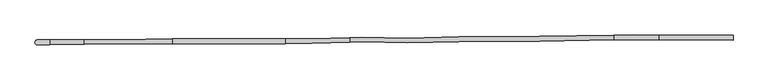
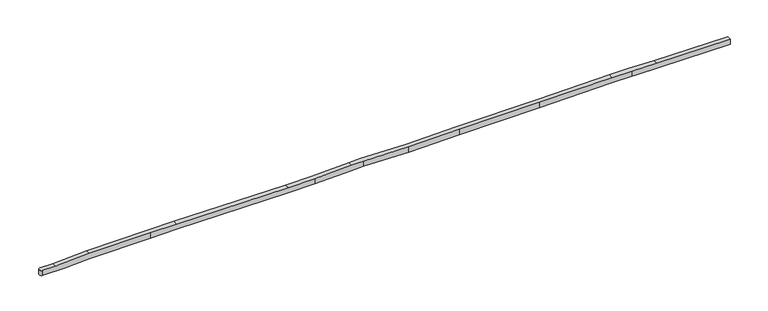
"""IFC4 building model written with IfcOpenShell, lengths in millimetres: proxy geometry."""

from ifc_helpers import new_model, si_unit, frame, origin, place, context, project, spatial, circle_curve, source, transform, mapped, element, save
from ifc_brep_helpers import plane_surface, cylinder_surface, advanced_brep


def generic_models_26a9a762(model_context):
    return source(origin(), model_context, "Body", "AdvancedBrep", [
        advanced_brep(
        [(-98529.1955839, 122697.3656972, 13550.0), (-98529.1955839, 122997.3771551, 13550.0), (-97154.9265544, 123009.3882464, 13550.0), (-97154.352654, 122709.3818044, 13550.0), (-54672.3471212, 123287.4372794, 13550.0), (-54672.3471212, 122987.4338245, 13550.0), (-60600.49174, 123015.8845242, 13550.0), (-60601.06564, 123315.8907334, 13550.0), (-54672.3471212, 123287.4372794, 13878.192766), (-54672.3471212, 122987.4338245, 13878.192766), (-60932.5531862, 123317.4816279, 13555.7860729), (-60932.5531862, 123317.4816279, 13905.8393877), (-59348.6618487, 123309.8801236, 13878.192766), (-62208.9747849, 123298.0601666, 13578.0667025), (-66856.5650142, 123227.344508, 13582.8593575), (-66856.5650142, 123227.344508, 13932.8595435), (-62205.7400267, 123298.1093852, 13928.0635529), (-71979.0590331, 123192.2932293, 13588.1416547), (-71979.0590331, 123192.2932293, 13938.1418408), (-75198.8471381, 123117.2981647, 13591.4619929), (-75198.8471381, 123117.2981647, 13941.462179), (-78068.6339711, 123177.3984125, 13594.4211494), (-78068.6339711, 123177.3984125, 13944.4213355), (-78833.5225076, 123153.1162368, 13595.2099373), (-81225.9308815, 123077.1667646, 13576.670575), (-81225.9308815, 123077.1667646, 13926.6810825), (-78834.6980014, 123153.0789195, 13945.2113356), (-82900.4640145, 123073.9634492, 13563.6949454), (-90009.7273778, 123060.3637105, 13618.6972618), (-91690.3235944, 123057.1487967, 13618.6972618), (-91690.3235944, 123057.1487967, 13968.6972618), (-90008.3734786, 123060.3663005, 13968.6972618), (-82900.4661307, 123073.9634451, 13913.7054365), (-98529.1955839, 122997.3771551, 13875.676339), (-97727.9675642, 123004.3798763, 13875.676339), (-95565.2593545, 123023.2819146, 13968.6972618), (-95557.7360764, 123023.3476679, 13618.6972618), (-98529.1955839, 122697.3656972, 13875.676339), (-95557.162176, 122723.3412259, 13618.6972618), (-91688.7256845, 122757.1513045, 13618.6972618), (-91688.7256845, 122757.1513045, 13968.6972618), (-95564.6854541, 122723.2754726, 13968.6972618), (-97727.3936637, 122704.3734343, 13875.676339), (-90009.1534908, 122760.3642595, 13618.6972618), (-82899.8901274, 122773.9639981, 13563.6949454), (-81220.8833087, 122777.1758715, 13576.7052407), (-81220.8833087, 122777.1758715, 13926.7157482), (-82899.8922437, 122773.963994, 13913.7054365), (-90007.7995916, 122760.3668494, 13968.6972618), (-78832.9483653, 122852.98333, 13595.2099373), (-78067.0140133, 122877.2987062, 13594.4200709), (-78067.0140133, 122877.2987062, 13944.420257), (-78834.123859, 122852.9460127, 13945.2113356), (-75198.4947969, 122817.2250054, 13591.4622215), (-75198.4947969, 122817.2250054, 13941.4624076), (-71974.5395172, 122892.3171315, 13588.137586), (-71974.5395172, 122892.3171315, 13938.1377721), (-66853.2565184, 122927.3601236, 13582.8565376), (-66853.2565184, 122927.3601236, 13932.8567236), (-62208.4008471, 122998.0341744, 13578.0667025), (-60930.9908414, 123017.4706749, 13555.7688198), (-60930.9908414, 123017.4706749, 13905.8221346), (-62205.1660888, 122998.0833931, 13928.0635529), (-59348.0879488, 123009.8739144, 13878.192766)],
        [
            (0, 1, circle_curve(frame((-98529.1955839, 122847.3714262, 13550.0), z_axis=(0.0, 0.0, -1.0), x_axis=(1.0, 0.0, 0.0)), 150.0057289)),
            (1, 2),
            (2, 3),
            (3, 0),
            (4, 5),
            (5, 6),
            (6, 7),
            (7, 4),
            (4, 8),
            (8, 9),
            (9, 5),
            (7, 10),
            (10, 11),
            (11, 12),
            (12, 8),
            (10, 13),
            (13, 14),
            (14, 15),
            (15, 16),
            (16, 11),
            (14, 17),
            (17, 18),
            (18, 15),
            (17, 19),
            (19, 20),
            (20, 18),
            (19, 21),
            (21, 22),
            (22, 20),
            (21, 23),
            (23, 24),
            (24, 25),
            (25, 26),
            (26, 22),
            (24, 27),
            (27, 28),
            (28, 29),
            (29, 30),
            (30, 31),
            (31, 32),
            (32, 25),
            (1, 33),
            (33, 34),
            (34, 35),
            (35, 30),
            (29, 36),
            (36, 2),
            (0, 37),
            (37, 33, circle_curve(frame((-98529.1955839, 122847.3714262, 13875.676339), z_axis=(0.0, 0.0, -1.0), x_axis=(1.0, 0.0, 0.0)), 150.0057289)),
            (3, 38),
            (38, 39),
            (39, 40),
            (40, 41),
            (41, 42),
            (42, 37),
            (39, 43),
            (43, 44),
            (44, 45),
            (45, 46),
            (46, 47),
            (47, 48),
            (48, 40),
            (45, 49),
            (49, 50),
            (50, 51),
            (51, 52),
            (52, 46),
            (50, 53),
            (53, 54),
            (54, 51),
            (53, 55),
            (55, 56),
            (56, 54),
            (55, 57),
            (57, 58),
            (58, 56),
            (57, 59),
            (59, 60),
            (60, 61),
            (61, 62),
            (62, 58),
            (9, 63),
            (63, 61),
            (60, 6),
            (36, 38),
            (27, 44),
            (43, 28),
            (59, 13),
            (49, 23),
            (35, 41),
            (48, 31),
            (47, 32),
            (52, 26),
            (62, 16),
            (63, 12),
            (42, 34),
        ],
        [
            plane_surface(frame((-54672.3471212, 123297.8146123, 13550.0), z_axis=(0.0, 0.0, -1.0), x_axis=(0.0, -1.0, 0.0))),
            plane_surface(frame((-54672.3471212, 122987.4338245, 14050.0), z_axis=(1.0, 0.0, 0.0), x_axis=(0.0, 0.0, -1.0))),
            plane_surface(frame((-54672.3471212, 123287.4372794, 14050.0), z_axis=(0.004799203447852957, 0.9999884837568211, 0.0), x_axis=(0.0, 0.0, -1.0))),
            plane_surface(frame((-60932.5531862, 123317.4816279, 14050.0), z_axis=(-0.015213792683036837, 0.9998842635586369, 0.0), x_axis=(0.0, 0.0, -1.0))),
            plane_surface(frame((-66856.5650142, 123227.344508, 14050.0), z_axis=(-0.006842459560791158, 0.9999765900995677, 0.0), x_axis=(0.0, 0.0, -1.0))),
            plane_surface(frame((-71979.0590331, 123192.2932293, 14050.0), z_axis=(-0.02328560994000204, 0.9997288534246285, 0.0), x_axis=(0.0, 0.0, -1.0))),
            plane_surface(frame((-75198.8471381, 123117.2981647, 14050.0), z_axis=(0.02093781737953802, 0.9997807798729585, 0.0), x_axis=(0.0, 0.0, -1.0))),
            plane_surface(frame((-78068.6339711, 123177.3984125, 14050.0), z_axis=(-0.03173004683477453, 0.9994964752953674, 0.0), x_axis=(0.0, 0.0, -1.0))),
            plane_surface(frame((-81225.9308815, 123077.1667646, 14050.0), z_axis=(-0.001912956805934248, 0.9999981702964554, 0.0), x_axis=(0.0, 0.0, -1.0))),
            plane_surface(frame((-91690.3235944, 123057.1487967, 14050.0), z_axis=(-0.008739651640339885, 0.999961808515308, 0.0), x_axis=(0.0, 0.0, -1.0))),
            cylinder_surface(frame((-98529.1955839, 122847.3714262, 13550.0), z_axis=(0.0, 0.0, 1.0), x_axis=(1.0, 0.0, 0.0)), 150.0057289),
            plane_surface(frame((-98529.1955839, 122697.3656972, 14050.0), z_axis=(0.008739651640346357, -0.999961808515308, 0.0), x_axis=(0.0, 0.0, -1.0))),
            plane_surface(frame((-91688.7256845, 122757.1513045, 14050.0), z_axis=(0.001912956805924708, -0.9999981702964554, 0.0), x_axis=(0.0, 0.0, -1.0))),
            plane_surface(frame((-81220.8833087, 122777.1758715, 14050.0), z_axis=(0.031730046834778446, -0.9994964752953673, 0.0), x_axis=(0.0, 0.0, -1.0))),
            plane_surface(frame((-78067.0140133, 122877.2987062, 14050.0), z_axis=(-0.020937817379538273, -0.9997807798729585, 0.0), x_axis=(0.0, 0.0, -1.0))),
            plane_surface(frame((-75198.4947969, 122817.2250054, 14050.0), z_axis=(0.023285609940015346, -0.999728853424628, 0.0), x_axis=(0.0, 0.0, -1.0))),
            plane_surface(frame((-71974.5395172, 122892.3171315, 14050.0), z_axis=(0.006842459560789179, -0.9999765900995679, 0.0), x_axis=(0.0, 0.0, -1.0))),
            plane_surface(frame((-66853.2565184, 122927.3601236, 14050.0), z_axis=(0.015213792683056154, -0.9998842635586366, 0.0), x_axis=(0.0, 0.0, -1.0))),
            plane_surface(frame((-60930.9908414, 123017.4706749, 14050.0), z_axis=(-0.004799203447868635, -0.999988483756821, 0.0), x_axis=(0.0, 0.0, -1.0))),
            plane_surface(frame((-95556.9170038, 122595.1774696, 13618.6972618), z_axis=(0.042970867367158654, 8.220156359082659e-05, -0.9990763223100712), x_axis=(-0.00191295680592099, 0.9999981702964554, 0.0))),
            plane_surface(frame((-82899.5944343, 122619.3904253, 13563.6949454), z_axis=(-0.007736451198683834, -1.4799524052939461e-05, -0.9999700731041028), x_axis=(-0.00191295680592099, 0.9999981702964554, 0.0))),
            plane_surface(frame((-90008.8577977, 122605.7906867, 13618.6972618), z_axis=(0.0, 0.0, -1.0), x_axis=(-0.00191295680592099, 0.9999981702964554, 0.0))),
            plane_surface(frame((-59353.5354876, 122664.4331014, 13528.2460727), z_axis=(-0.017452374504540555, -3.338569967387585e-05, -0.9998476951563914), x_axis=(-0.00191295680592099, 0.9999981702964554, 0.0))),
            plane_surface(frame((-62207.7522367, 122658.9730981, 13578.0667025), z_axis=(-0.0010311823198891595, -1.9726108462704205e-06, -0.9999994683294247), x_axis=(-0.00191295680592099, 0.9999981702964554, 0.0))),
            plane_surface(frame((-78832.5163945, 122627.1705841, 13595.2099373), z_axis=(0.00774854333315723, 1.4822655826202742e-05, -0.9999699794776357), x_axis=(-0.00191295680592099, 0.9999981702964554, 0.0))),
            plane_surface(frame((-95564.4403802, 122595.1630777, 13968.6972618), z_axis=(0.0, 0.0, 1.0), x_axis=(-0.00191295680592099, 0.9999981702964554, 0.0))),
            plane_surface(frame((-90007.5038985, 122605.7932766, 13968.6972618), z_axis=(0.007736451198684182, 1.4799524052940125e-05, 0.9999700731041028), x_axis=(-0.00191295680592099, 0.9999981702964554, 0.0))),
            plane_surface(frame((-82899.5965506, 122619.3904212, 13913.7054365), z_axis=(-0.007748543333132783, -1.4822655826155975e-05, 0.9999699794776359), x_axis=(-0.00191295680592099, 0.9999981702964554, 0.0))),
            plane_surface(frame((-78833.6919553, 122627.1683353, 13945.2113356), z_axis=(0.0010311823198891675, 1.9726108462704357e-06, 0.9999994683294247), x_axis=(-0.00191295680592099, 0.9999981702964554, 0.0))),
            plane_surface(frame((-62204.5173961, 122658.9792862, 13928.0635529), z_axis=(0.01745237450453974, 3.338569967387429e-05, 0.9998476951563915), x_axis=(-0.00191295680592099, 0.9999981702964554, 0.0))),
            plane_surface(frame((-59347.4271565, 122664.4447864, 13878.192766), z_axis=(0.0, 0.0, 1.0), x_axis=(-0.00191295680592099, 0.9999981702964554, 0.0))),
            plane_surface(frame((-99202.4102033, 122588.2037858, 13875.676339), z_axis=(0.0, 0.0, 1.0), x_axis=(-0.00191295680592099, 0.9999981702964554, 0.0))),
            plane_surface(frame((-97727.1768343, 122591.0258487, 13875.676339), z_axis=(-0.04297086736715866, -8.22015635908266e-05, 0.9990763223100712), x_axis=(-0.00191295680592099, 0.9999981702964554, 0.0))),
        ],
        [
            (0, [[1, 2, 3, 4]]),
            (0, [[5, 6, 7, 8]]),
            (1, [[-5, 9, 10, 11]]),
            (2, [[-8, 12, 13, 14, 15, -9]]),
            (3, [[-13, 16, 17, 18, 19, 20]]),
            (4, [[-18, 21, 22, 23]]),
            (5, [[-22, 24, 25, 26]]),
            (6, [[-25, 27, 28, 29]]),
            (7, [[-28, 30, 31, 32, 33, 34]]),
            (8, [[-32, 35, 36, 37, 38, 39, 40, 41]]),
            (9, [[-2, 42, 43, 44, 45, -38, 46, 47]]),
            (10, [[-1, 48, 49, -42]]),
            (11, [[-4, 50, 51, 52, 53, 54, 55, -48]]),
            (12, [[-52, 56, 57, 58, 59, 60, 61, 62]]),
            (13, [[-59, 63, 64, 65, 66, 67]]),
            (14, [[-65, 68, 69, 70]]),
            (15, [[-69, 71, 72, 73]]),
            (16, [[-72, 74, 75, 76]]),
            (17, [[-75, 77, 78, 79, 80, 81]]),
            (18, [[-6, -11, 82, 83, -79, 84]]),
            (19, [[85, -50, -3, -47]]),
            (20, [[86, -57, 87, -36]]),
            (21, [[-85, -46, -37, -87, -56, -51]]),
            (22, [[88, -16, -12, -7, -84, -78]]),
            (23, [[-88, -77, -74, -71, -68, -64, 89, -30, -27, -24, -21, -17]]),
            (24, [[-86, -35, -31, -89, -63, -58]]),
            (25, [[90, -53, -62, 91, -39, -45]]),
            (26, [[-91, -61, 92, -40]]),
            (27, [[-92, -60, -67, 93, -33, -41]]),
            (28, [[-93, -66, -70, -73, -76, -81, 94, -19, -23, -26, -29, -34]]),
            (29, [[-94, -80, -83, 95, -14, -20]]),
            (30, [[-95, -82, -10, -15]]),
            (31, [[96, -43, -49, -55]]),
            (32, [[-90, -44, -96, -54]]),
        ],
    ),
    ])


if __name__ == "__main__":
    model = new_model("IFC4")
    model_context = context("Model", 3, world=origin())
    ifc_project = project(units=[si_unit("LENGTHUNIT", "METRE", prefix="MILLI")], contexts=[model_context])
    site = spatial("IfcSite", under=ifc_project)
    building = spatial("IfcBuilding", under=site)
    placement = place(None, origin())
    generic_models_shape = generic_models_26a9a762(model_context)
    element("IfcBuildingElementProxy", 1, Name="Generic Models", at=placement, inside=building, context=model_context, shape_type="MappedRepresentation", body=[
        mapped(generic_models_shape, transform((0.0, 0.0, 0.0), x_axis=(1.0, 0.0, 0.0), y_axis=(0.0, 1.0, 0.0), z_axis=(0.0, 0.0, 1.0))),
    ])
    save(model, "model.ifc")
